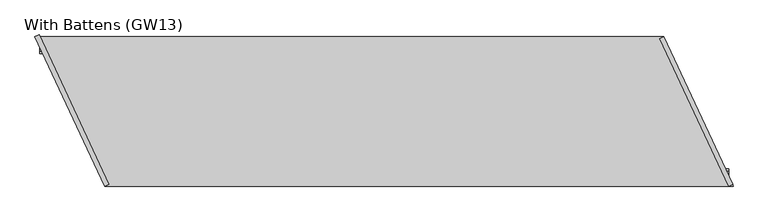
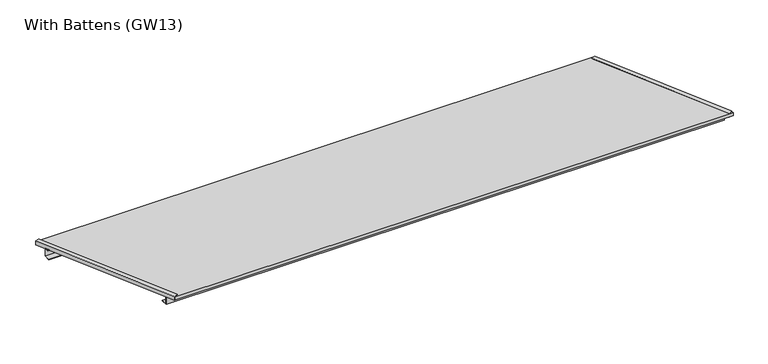
"""IFC4 building model written with IfcOpenShell, lengths in millimetres: proxy geometry, With Battens (GW13)."""

from ifc_helpers import new_model, si_unit, frame, origin, place, context, project, spatial, polyline, outline, extrude, source, transform, mapped, element, save


def with_battens_gw13_cdd64fb7(model_context):
    return source(origin(), model_context, "Body", "SweptSolid", [
        extrude(outline(polyline([(70.0, 0.0), (40.0, 0.0), (40.0, 40.0), (60.0, 40.0), (60.0, 38.0), (42.0, 38.0), (42.0, 2.0), (70.0, 2.0), (70.0, 0.0)])), frame((268.1269034, 0.0, 0.0), z_axis=(1.0, 0.0, 0.0), x_axis=(0.0, 1.0, 0.0)), (0.0, 0.0, 1.0), 2576.3874408),
        extrude(outline(polyline([(545.0, 0.0), (545.0, 2.0), (573.0, 2.0), (573.0, 38.0), (555.0, 38.0), (555.0, 40.0), (575.0, 40.0), (575.0, 0.0), (545.0, 0.0)])), frame((18.6523063, 0.0, 0.0), z_axis=(1.0, 0.0, 0.0), x_axis=(0.0, 1.0, 0.0)), (0.0, 0.0, 1.0), 2576.3874408),
        extrude(outline(polyline([(2863.1666505, 0.0), (286.7792098, 0.0), (0.0, 615.0), (2576.3874408, 615.0), (2863.1666505, 0.0)])), frame((0.0, 0.0, 40.0), z_axis=(0.0, 0.0, 1.0), x_axis=(1.0, 0.0, 0.0)), (0.0, 0.0, 1.0), 15.0),
        extrude(outline(polyline([(-19.0000001, 0.0), (-19.0000001, 2.0), (-2.0000001, 2.0), (-2.0000001, 17.0), (-19.0000001, 17.0), (-19.0000001, 19.0), (0.0, 19.0), (0.0, 0.0), (-19.0000001, 0.0)])), frame((2861.6290739, 8.029747, 57.0), z_axis=(-0.42261826174069766, 0.9063077870366508, 0.0), x_axis=(0.9063077870366508, 0.42261826174069766, 0.0)), (0.0, 0.0, 1.0), 669.7175747),
        extrude(outline(polyline([(-19.0000001, 0.0), (-19.0000001, 2.0), (-2.0, 2.0), (-2.0, 17.0), (-19.0000001, 17.0), (-19.0000001, 19.0), (0.0, 19.0), (0.0, 0.0), (-19.0000001, 0.0)])), frame((284.5724539, 0.0, 38.0), z_axis=(-0.4226182617407062, 0.9063077870366468, 0.0), x_axis=(-0.9063077870366468, -0.4226182617407062, 0.0)), (0.0, 0.0, 1.0), 677.6448048),
    ])


if __name__ == "__main__":
    model = new_model("IFC4")
    model_context = context("Model", 3, world=origin())
    ifc_project = project(units=[si_unit("LENGTHUNIT", "METRE", prefix="MILLI")], contexts=[model_context])
    site = spatial("IfcSite", under=ifc_project)
    building = spatial("IfcBuilding", under=site)
    placement = place(None, origin())
    with_battens_gw13_shape = with_battens_gw13_cdd64fb7(model_context)
    element("IfcBuildingElementProxy", 1, Name="With Battens (GW13)", ObjectType="With Battens (GW13)", at=placement, inside=building, context=model_context, shape_type="MappedRepresentation", body=[
        mapped(with_battens_gw13_shape, transform((0.0, 0.0, 0.0), x_axis=(1.0, 0.0, 0.0), y_axis=(0.0, 1.0, 0.0), z_axis=(0.0, 0.0, 1.0))),
    ])
    save(model, "model.ifc")
